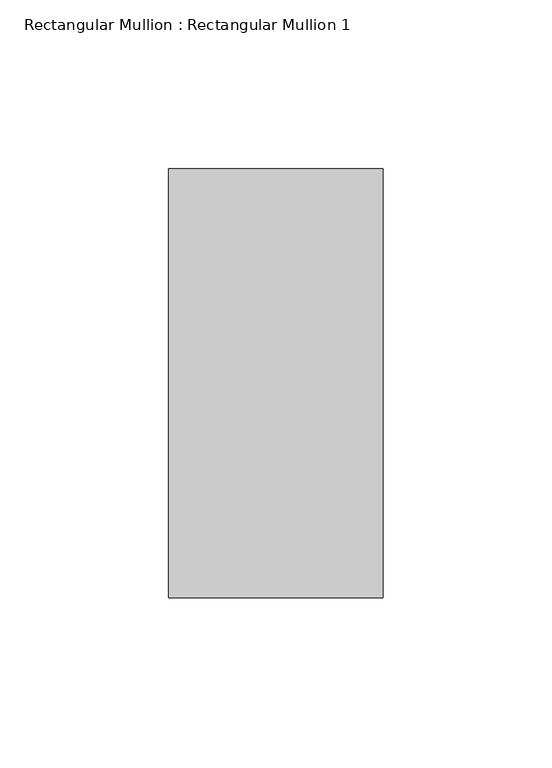
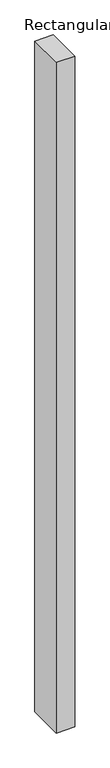
"""IFC4 building model written with IfcOpenShell, lengths in millimetres: member geometry, Rectangular Mullion : Rectangular Mullion 1."""

from ifc_helpers import new_model, si_unit, frame, origin, place, context, project, spatial, polyline, outline, extrude, source, transform, mapped, element, save


def rectangular_mullion_rectangular_mullion_1_ee409385(model_context):
    return source(origin(), model_context, "Body", "SweptSolid", [
        extrude(outline(polyline([(0.0, 63.5), (0.0, -63.5), (-63.5, -63.5), (-63.5, 63.5), (0.0, 63.5)])), frame((0.0, 0.0, -2438.4), z_axis=(0.0, 0.0, 1.0), x_axis=(1.0, 0.0, 0.0)), (0.0, 0.0, 1.0), 2438.4),
    ])


if __name__ == "__main__":
    model = new_model("IFC4")
    model_context = context("Model", 3, world=origin())
    ifc_project = project(units=[si_unit("LENGTHUNIT", "METRE", prefix="MILLI")], contexts=[model_context])
    site = spatial("IfcSite", under=ifc_project)
    building = spatial("IfcBuilding", under=site)
    placement = place(None, origin())
    rectangular_mullion_rectangular_mullion_1_shape = rectangular_mullion_rectangular_mullion_1_ee409385(model_context)
    element("IfcMember", 1, ObjectType="Rectangular Mullion : Rectangular Mullion 1", at=placement, inside=building, context=model_context, shape_type="MappedRepresentation", body=[
        mapped(rectangular_mullion_rectangular_mullion_1_shape, transform((0.0, 0.0, 0.0), x_axis=(1.0, 0.0, 0.0), y_axis=(0.0, 1.0, 0.0), z_axis=(0.0, 0.0, 1.0))),
    ])
    save(model, "model.ifc")
